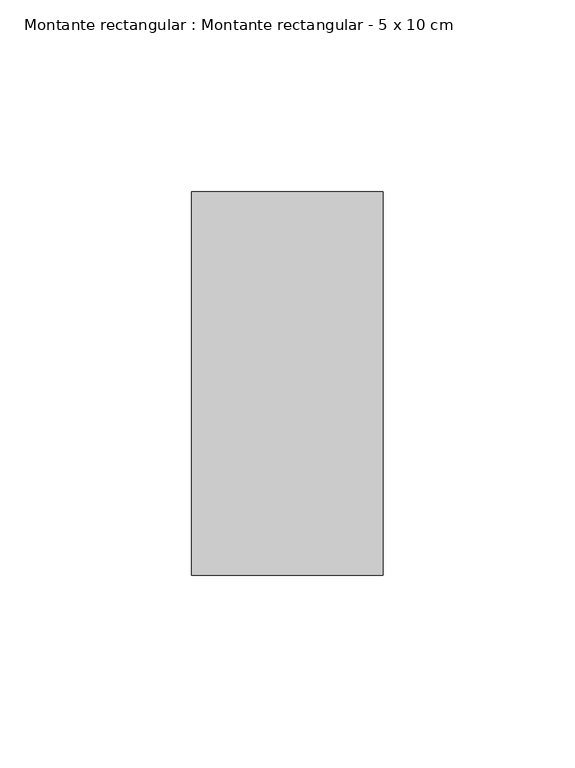
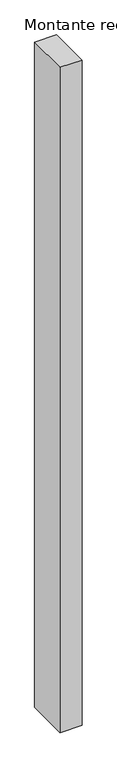
"""IFC4 building model written with IfcOpenShell, lengths in millimetres: member geometry, Montante rectangular : Montante rectangular - 5 x 10 cm."""

from ifc_helpers import new_model, si_unit, frame, origin, place, context, project, spatial, polyline, outline, extrude, source, transform, mapped, element, save


def montante_rectangular_montante_rectangular_5_x_10_cm_9443a213(model_context):
    return source(origin(), model_context, "Body", "SweptSolid", [
        extrude(outline(polyline([(0.0, 50.0), (0.0, -50.0), (-50.0, -50.0), (-50.0, 50.0), (0.0, 50.0)])), frame((0.0, 0.0, -1600.0), z_axis=(0.0, 0.0, 1.0), x_axis=(1.0, 0.0, 0.0)), (0.0, 0.0, 1.0), 1600.0),
    ])


if __name__ == "__main__":
    model = new_model("IFC4")
    model_context = context("Model", 3, world=origin())
    ifc_project = project(units=[si_unit("LENGTHUNIT", "METRE", prefix="MILLI")], contexts=[model_context])
    site = spatial("IfcSite", under=ifc_project)
    building = spatial("IfcBuilding", under=site)
    placement = place(None, origin())
    montante_rectangular_montante_rectangular_5_x_10_cm_shape = montante_rectangular_montante_rectangular_5_x_10_cm_9443a213(model_context)
    element("IfcMember", 1, ObjectType="Montante rectangular : Montante rectangular - 5 x 10 cm", at=placement, inside=building, context=model_context, shape_type="MappedRepresentation", body=[
        mapped(montante_rectangular_montante_rectangular_5_x_10_cm_shape, transform((0.0, 0.0, 0.0), x_axis=(1.0, 0.0, 0.0), y_axis=(0.0, 1.0, 0.0), z_axis=(0.0, 0.0, 1.0))),
    ])
    save(model, "model.ifc")
